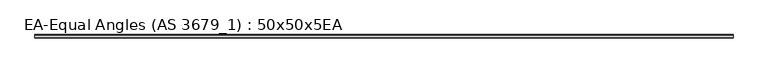
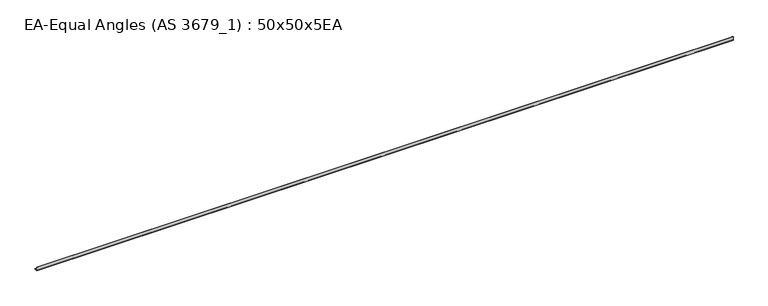
"""IFC4 building model written with IfcOpenShell, lengths in millimetres: member geometry, EA-Equal Angles (AS 3679_1) : 50x50x5EA."""

from ifc_helpers import new_model, si_unit, point, frame, frame_2d, origin, place, context, project, spatial, polyline, circle_curve, trimmed, segment, composite_curve, outline, extrude, source, transform, mapped, element, save


def ea_equal_angles_as_3679_1_50x50x5ea_3c247ba5(model_context):
    return source(origin(), model_context, "Body", "SweptSolid", [
        extrude(outline(composite_curve([segment(polyline([(-13.9, -13.9), (-13.9, 36.1), (-11.9, 36.1)]), True, "CONTINUOUS"), segment(trimmed(circle_curve(frame_2d((-11.9, 33.1)), 3.0), [point((-11.9, 36.1))], [point((-8.9, 33.1))], False, "CARTESIAN"), True, "CONTINUOUS"), segment(polyline([(-8.9, 33.1), (-8.9, -2.9)]), True, "CONTINUOUS"), segment(trimmed(circle_curve(frame_2d((-2.9, -2.9)), 6.0), [point((-8.9, -2.9))], [point((-2.9, -8.9))], True, "CARTESIAN"), True, "CONTINUOUS"), segment(polyline([(-2.9, -8.9), (33.1, -8.9)]), True, "CONTINUOUS"), segment(trimmed(circle_curve(frame_2d((33.1, -11.9)), 3.0), [point((33.1, -8.9))], [point((36.1, -11.9))], False, "CARTESIAN"), True, "CONTINUOUS"), segment(polyline([(36.1, -11.9), (36.1, -13.9), (-13.9, -13.9)]), True, "CONTINUOUS")], self_intersect=False)), frame((-4901.6, 0.0, 0.0), z_axis=(1.0, 0.0, 0.0), x_axis=(0.0, 1.0, 0.0)), (0.0, 0.0, 1.0), 9904.6),
    ])


if __name__ == "__main__":
    model = new_model("IFC4")
    model_context = context("Model", 3, world=origin())
    ifc_project = project(units=[si_unit("LENGTHUNIT", "METRE", prefix="MILLI")], contexts=[model_context])
    site = spatial("IfcSite", under=ifc_project)
    building = spatial("IfcBuilding", under=site)
    placement = place(None, origin())
    ea_equal_angles_as_3679_1_50x50x5ea_shape = ea_equal_angles_as_3679_1_50x50x5ea_3c247ba5(model_context)
    element("IfcMember", 1, ObjectType="EA-Equal Angles (AS 3679_1) : 50x50x5EA", at=placement, inside=building, context=model_context, shape_type="MappedRepresentation", body=[
        mapped(ea_equal_angles_as_3679_1_50x50x5ea_shape, transform((0.0, 0.0, 0.0), x_axis=(1.0, 0.0, 0.0), y_axis=(0.0, 1.0, 0.0), z_axis=(0.0, 0.0, 1.0))),
    ])
    save(model, "model.ifc")
